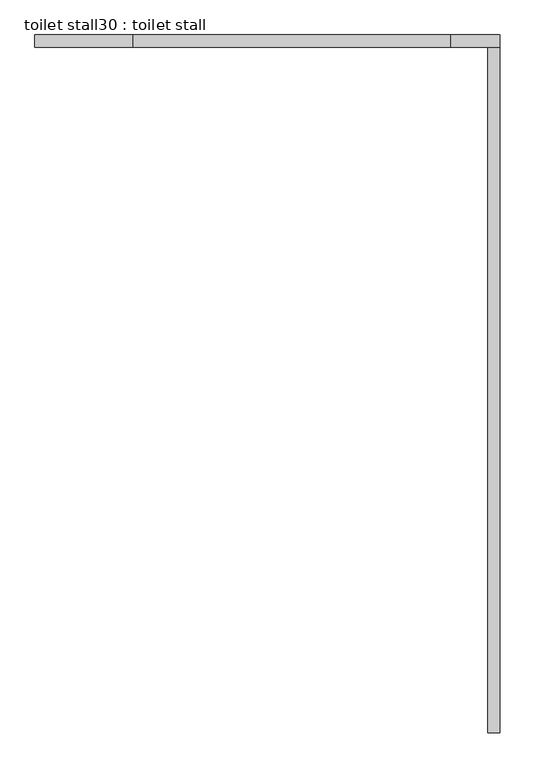
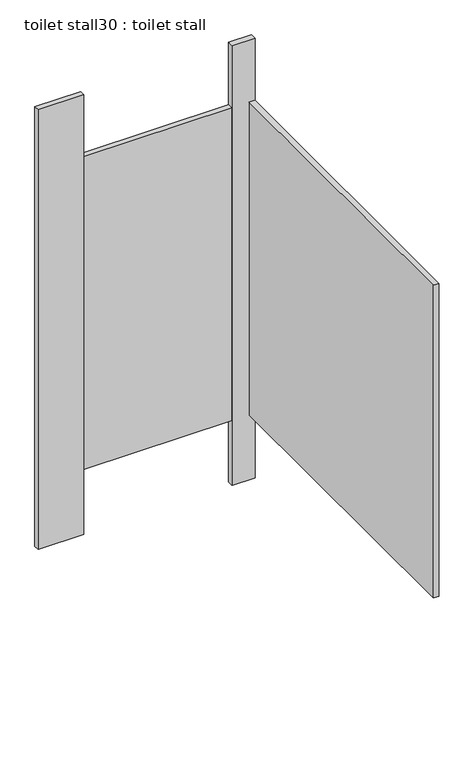
"""IFC4 building model written with IfcOpenShell, lengths in millimetres: proxy geometry, toilet stall30 : toilet stall."""

from ifc_helpers import new_model, si_unit, frame, origin, origin_with_axes, place, context, project, spatial, polyline, outline, extrude, source, transform, mapped, element, save


def toilet_stall30_toilet_stall_49c792df(model_context):
    return source(origin(), model_context, "Body", "SweptSolid", [
        extrude(outline(polyline([(444462.1112284, -351409.8080223), (444258.9112284, -351409.8080223), (444258.9112284, -351384.4080223), (444462.1112284, -351384.4080223), (444462.1112284, -351409.8080223)])), origin_with_axes(), (0.0, 0.0, 1.0), 2070.1),
        extrude(outline(polyline([(445224.1112284, -351409.8080223), (445122.5112284, -351409.8080223), (445122.5112284, -351384.4080223), (445224.1112284, -351384.4080223), (445224.1112284, -351409.8080223)])), origin_with_axes(), (0.0, 0.0, 1.0), 2070.1),
        extrude(outline(polyline([(445224.1112284, -351409.8080223), (445224.1112284, -352832.2080223), (445198.7112284, -352832.2080223), (445198.7112284, -351409.8080223), (445224.1112284, -351409.8080223)])), frame((0.0, 0.0, 304.8), z_axis=(0.0, 0.0, 1.0), x_axis=(1.0, 0.0, 0.0)), (0.0, 0.0, 1.0), 1473.2),
        extrude(outline(polyline([(445122.5112284, -351409.8080223), (444462.1112284, -351409.8080223), (444462.1112284, -351384.4080223), (445122.5112284, -351384.4080223), (445122.5112284, -351409.8080223)])), frame((0.0, 0.0, 304.8), z_axis=(0.0, 0.0, 1.0), x_axis=(1.0, 0.0, 0.0)), (0.0, 0.0, 1.0), 1473.2),
    ])


if __name__ == "__main__":
    model = new_model("IFC4")
    model_context = context("Model", 3, world=origin())
    ifc_project = project(units=[si_unit("LENGTHUNIT", "METRE", prefix="MILLI")], contexts=[model_context])
    site = spatial("IfcSite", under=ifc_project)
    building = spatial("IfcBuilding", under=site)
    placement = place(None, origin())
    toilet_stall30_toilet_stall_shape = toilet_stall30_toilet_stall_49c792df(model_context)
    element("IfcBuildingElementProxy", 1, Name="toilet stall30 : toilet stall", ObjectType="toilet stall30 : toilet stall", at=placement, inside=building, context=model_context, shape_type="MappedRepresentation", body=[
        mapped(toilet_stall30_toilet_stall_shape, transform((0.0, 0.0, 0.0), x_axis=(1.0, 0.0, 0.0), y_axis=(0.0, 1.0, 0.0), z_axis=(0.0, 0.0, 1.0))),
    ])
    save(model, "model.ifc")
